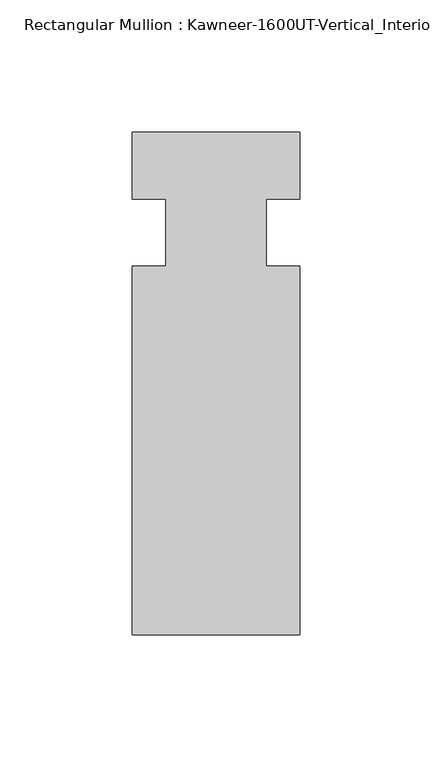
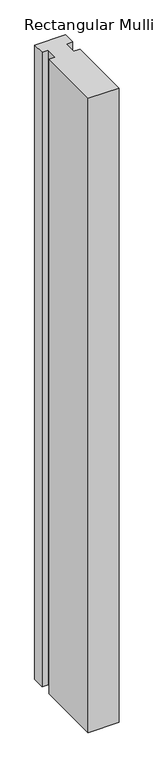
"""IFC4 building model written with IfcOpenShell, lengths in millimetres: member geometry."""

import ifcopenshell
import ifcopenshell.guid

model = None  # the IFC model being written
_history = None  # IfcOwnerHistory: only IFC2X3 demands one
_inside = {}  # id of a spatial element -> (the spatial element, [elements in it])
_under = {}  # id of a project, library or spatial element -> (it, [spatial elements below it])
_declared = {}  # id of a project -> (the project, [libraries it declares])
_typed = {}  # id of a type object -> (the type object, [elements of that type])
_made_of = {}  # id of a material, layer set ... -> (it, [elements and type objects made of it])


def new_model(schema):
    """Start an empty IFC model of exactly this schema.

    Asked for "IFC4X3", IfcOpenShell would pick the latest addendum, in which some entities
    have other attributes; the version numbers below select the first issue.
    IFC2X3 requires an IfcOwnerHistory on every rooted entity: one is made here for all.
    """
    global model, _history
    if schema == "IFC4X3":
        model = ifcopenshell.file(schema_version=(4, 3, 0, 0))
    else:
        model = ifcopenshell.file(schema=schema)
    _inside.clear()
    _under.clear()
    _declared.clear()
    _typed.clear()
    _made_of.clear()
    _history = None
    if model.schema == "IFC2X3":
        org = make("IfcOrganization", Name="unknown")
        user = make(
            "IfcPersonAndOrganization",
            ThePerson=make("IfcPerson", FamilyName="unknown"),
            TheOrganization=org,
        )
        app = make(
            "IfcApplication",
            ApplicationDeveloper=org,
            Version="unknown",
            ApplicationFullName="unknown",
            ApplicationIdentifier="unknown",
        )
        _history = make(
            "IfcOwnerHistory",
            OwningUser=user,
            OwningApplication=app,
            ChangeAction="ADDED",
            CreationDate=0,
        )
    return model


def make(cls, **values):
    """One entity of the class cls with the attributes given. An attribute that is None is left unset."""
    return model.create_entity(
        cls, **{name: value for name, value in values.items() if value is not None}
    )


def rooted(cls, **values):
    """An entity with a GlobalId (a new one), such as an element, a storey or a relation."""
    return make(cls, GlobalId=ifcopenshell.guid.new(), OwnerHistory=_history, **values)


def si_unit(unit_type, name, prefix=None):
    """IfcSIUnit, for example si_unit("LENGTHUNIT", "METRE", prefix="MILLI")."""
    return make("IfcSIUnit", UnitType=unit_type, Prefix=prefix, Name=name)


def assignment(units):
    """IfcUnitAssignment: the units of a project."""
    return None if units is None else make("IfcUnitAssignment", Units=units)


def point(xyz):
    """IfcCartesianPoint."""
    return None if xyz is None else make("IfcCartesianPoint", Coordinates=xyz)


def direction(xyz):
    """IfcDirection."""
    return None if xyz is None else make("IfcDirection", DirectionRatios=xyz)


def frame(location, z_axis=None, x_axis=None):
    """IfcAxis2Placement3D, a coordinate frame: its origin and axes. An axis left out is left unset."""
    return make(
        "IfcAxis2Placement3D",
        Location=point(location),
        Axis=direction(z_axis),
        RefDirection=direction(x_axis),
    )


def origin():
    """The frame at (0, 0, 0) with its axes left unset."""
    return frame((0.0, 0.0, 0.0))


def place(relative_to, where):
    """IfcLocalPlacement: puts the frame where relative to a parent placement (None: the world)."""
    return make(
        "IfcLocalPlacement", PlacementRelTo=relative_to, RelativePlacement=where
    )


def context(
    kind, dimensions, precision=None, world=None, true_north=None, identifier=None
):
    """IfcGeometricRepresentationContext, for example the 3D "Model" context."""
    return make(
        "IfcGeometricRepresentationContext",
        ContextIdentifier=identifier,
        ContextType=kind,
        CoordinateSpaceDimension=dimensions,
        Precision=precision,
        WorldCoordinateSystem=world,
        TrueNorth=true_north,
    )


def project(units=None, contexts=None):
    """IfcProject with its units and contexts."""
    return rooted(
        "IfcProject",
        Name="project",
        RepresentationContexts=contexts,
        UnitsInContext=assignment(units),
    )


def spatial(cls, under=None, at=None, **own):
    """A site, building, storey or space (cls), placed at a placement, below another one or the project."""
    s = rooted(cls, ObjectPlacement=at, **own)
    if under is not None:
        _under.setdefault(under.id(), (under, []))[1].append(s)
    return s


def polyline(points):
    """IfcPolyline through the points."""
    return make("IfcPolyline", Points=[point(p) for p in points])


def outline(outer, holes=None, kind="AREA"):
    """IfcArbitraryClosedProfileDef: a profile drawn as a closed curve; with holes, ...WithVoids."""
    if holes is None:
        return make("IfcArbitraryClosedProfileDef", ProfileType=kind, OuterCurve=outer)
    return make(
        "IfcArbitraryProfileDefWithVoids",
        ProfileType=kind,
        OuterCurve=outer,
        InnerCurves=holes,
    )


def extrude(swept, where, along, depth):
    """IfcExtrudedAreaSolid: the profile swept, set in the frame where, extruded along a direction by depth."""
    return make(
        "IfcExtrudedAreaSolid",
        SweptArea=swept,
        Position=where,
        ExtrudedDirection=direction(along),
        Depth=depth,
    )


def shape(context_of_items, identifier, shape_type, items):
    """IfcShapeRepresentation: the items that make up one representation, for example the "Body"."""
    return make(
        "IfcShapeRepresentation",
        ContextOfItems=context_of_items,
        RepresentationIdentifier=identifier,
        RepresentationType=shape_type,
        Items=items,
    )


def source(mapping_origin, context_of_items, identifier, shape_type, items):
    """IfcRepresentationMap: a shape defined once, which mapped items show again and again."""
    return make(
        "IfcRepresentationMap",
        MappingOrigin=mapping_origin,
        MappedRepresentation=shape(context_of_items, identifier, shape_type, items),
    )


def transform(
    local_origin,
    x_axis=None,
    y_axis=None,
    z_axis=None,
    scale=None,
    scale2=None,
    scale3=None,
    uniform=True,
):
    """IfcCartesianTransformationOperator3D, or its non-uniform kind. x_axis, y_axis, z_axis: its Axis1, 2, 3."""
    if uniform:
        return make(
            "IfcCartesianTransformationOperator3D",
            Axis1=direction(x_axis),
            Axis2=direction(y_axis),
            LocalOrigin=point(local_origin),
            Scale=scale,
            Axis3=direction(z_axis),
        )
    return make(
        "IfcCartesianTransformationOperator3DnonUniform",
        Axis1=direction(x_axis),
        Axis2=direction(y_axis),
        LocalOrigin=point(local_origin),
        Scale=scale,
        Axis3=direction(z_axis),
        Scale2=scale2,
        Scale3=scale3,
    )


def mapped(mapping_source, mapping_target):
    """IfcMappedItem: shows the shape of a source again, moved by a transform."""
    return make(
        "IfcMappedItem", MappingSource=mapping_source, MappingTarget=mapping_target
    )


def made_of(thing, what):
    """Note that an element or type object is made of a material, layer set ...; save() writes the relation."""
    if what is not None:
        _made_of.setdefault(what.id(), (what, []))[1].append(thing)
    return thing


def element(
    cls,
    number,
    at=None,
    inside=None,
    cuts=None,
    type_object=None,
    material=None,
    context=None,
    identifier="Body",
    shape_type=None,
    held_by="IfcProductDefinitionShape",
    body=None,
    shapes=None,
    **own,
):
    """One element of the class cls, such as IfcWall. Its Tag is "e" and its number.

    at: its placement. inside: the storey or other place that contains it. cuts: it is an
    opening in that element (IfcRelVoidsElement). A single representation is given by context,
    identifier, shape_type and body (its items); several are given by shapes. held_by: the class
    of the entity that holds the representations. save() writes the other relations.
    """
    e = rooted(cls, Tag="e%d" % number, ObjectPlacement=at, **own)
    if body is not None:
        shapes = [shape(context, identifier, shape_type, body)]
    if shapes is not None:
        e.Representation = make(held_by, Representations=shapes)
    if inside is not None:
        _inside.setdefault(inside.id(), (inside, []))[1].append(e)
    if cuts is not None:
        rooted(
            "IfcRelVoidsElement", RelatingBuildingElement=cuts, RelatedOpeningElement=e
        )
    if type_object is not None:
        _typed.setdefault(type_object.id(), (type_object, []))[1].append(e)
    return made_of(e, material)


def aggregate(whole, parts):
    """IfcRelAggregates: a whole, such as a stair, and the parts it consists of."""
    return rooted("IfcRelAggregates", RelatingObject=whole, RelatedObjects=parts)


def save(model, path):
    """Write the relations noted so far, then the file.

    IfcRelAggregates (storeys below a building ...), IfcRelContainedInSpatialStructure (elements
    in a storey), IfcRelDefinesByType, IfcRelAssociatesMaterial and IfcRelDeclares: one each for
    every whole, place, type object, material and project.
    """
    for whole, parts in _under.values():
        aggregate(whole, parts)
    for where, things in _inside.values():
        rooted(
            "IfcRelContainedInSpatialStructure",
            RelatedElements=things,
            RelatingStructure=where,
        )
    for kind, things in _typed.values():
        rooted("IfcRelDefinesByType", RelatedObjects=things, RelatingType=kind)
    for what, things in _made_of.values():
        rooted("IfcRelAssociatesMaterial", RelatedObjects=things, RelatingMaterial=what)
    for by, libraries in _declared.values():
        rooted("IfcRelDeclares", RelatingContext=by, RelatedDefinitions=libraries)
    model.write(path)


def member_9513b344(model_context):
    return source(origin(), model_context, "Body", "SweptSolid", [
        extrude(outline(polyline([(31.75, -152.4), (-31.75, -152.4), (-31.75, -12.7), (-19.05, -12.7), (-19.05, 12.7), (-31.75, 12.7), (-31.75, 38.1), (31.75, 38.1), (31.75, 12.7), (19.05, 12.7), (19.05, -12.7), (31.75, -12.7), (31.75, -152.4)])), frame((0.0, 0.0, -1381.1209335), z_axis=(0.0, 0.0, 1.0), x_axis=(1.0, 0.0, 0.0)), (0.0, 0.0, 1.0), 1381.1209335),
    ])


if __name__ == "__main__":
    model = new_model("IFC4")
    model_context = context("Model", 3, world=origin())
    ifc_project = project(units=[si_unit("LENGTHUNIT", "METRE", prefix="MILLI")], contexts=[model_context])
    site = spatial("IfcSite", under=ifc_project)
    building = spatial("IfcBuilding", under=site)
    placement = place(None, origin())
    member_shape = member_9513b344(model_context)
    element("IfcMember", 1, ObjectType="Rectangular Mullion : Kawneer-1600UT-Vertical_Interior-w/_Cap-Dbl_Glass-7_1/2\"", at=placement, inside=building, context=model_context, shape_type="MappedRepresentation", body=[
        mapped(member_shape, transform((0.0, 0.0, 0.0), x_axis=(1.0, 0.0, 0.0), y_axis=(0.0, 1.0, 0.0), z_axis=(0.0, 0.0, 1.0))),
    ])
    save(model, "model.ifc")
